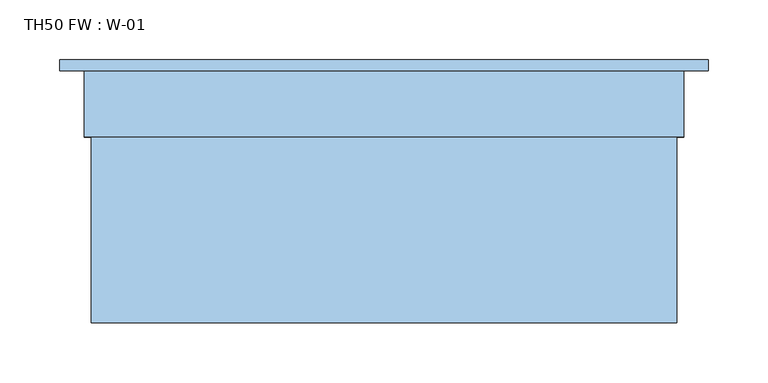
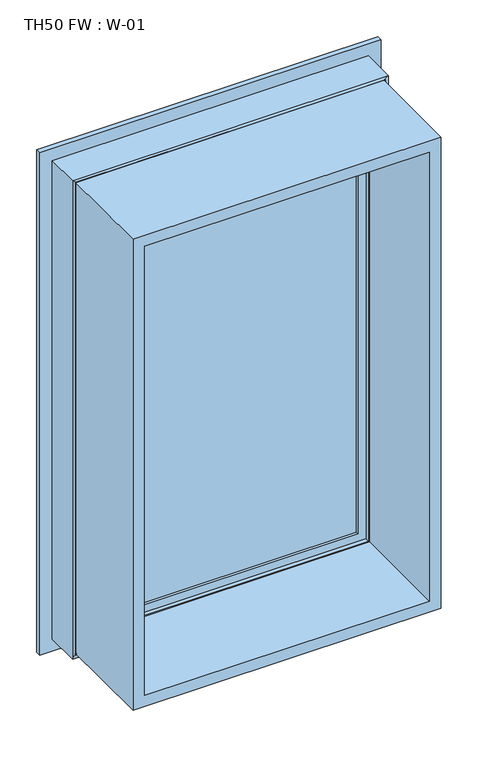
"""IFC4 building model written with IfcOpenShell, lengths in millimetres: window geometry, TH50 FW : W-01."""

from ifc_helpers import new_model, si_unit, frame, origin, place, context, project, spatial, polyline, ellipse_curve, outline, extrude, source, transform, mapped, element, save
from ifc_brep_helpers import plane_surface, cylinder_surface, revolved_surface, advanced_brep


def th50_fw_w_01_16d70e51(model_context):
    return source(origin(), model_context, "Body", "SolidModel", [
        extrude(outline(polyline([(1593.8, 243.8), (1593.8, -243.8), (806.2, -243.8), (806.2, 243.8), (1593.8, 243.8)]), holes=[polyline([(824.7, 225.3), (824.7, -225.3), (1575.3, -225.3), (1575.3, 225.3), (824.7, 225.3)])]), frame((0.0, -100.0, 0.0), z_axis=(0.0, 1.0, 0.0), x_axis=(0.0, 0.0, 1.0)), (0.0, 0.0, 1.0), 165.9999813),
        extrude(outline(polyline([(223.0, 74.4), (-223.0, 74.4), (-223.0, 100.4), (223.0, 100.4), (223.0, 74.4)])), frame((0.0, 0.0, 827.0), z_axis=(0.0, 0.0, 1.0), x_axis=(1.0, 0.0, 0.0)), (0.0, 0.0, 1.0), 746.0),
        advanced_brep(
        [(210.0, 107.7228474, 1560.0), (210.0, 107.7228474, 840.0), (207.8575034, 100.3927452, 842.1424966), (207.8575034, 100.3927452, 1557.8575034), (210.0, 118.9999377, 1560.0), (210.0, 118.9999377, 840.0), (230.0, 100.3927452, 1580.0), (230.0, 100.3927452, 820.0), (230.0, 118.9999377, 820.0), (230.0, 118.9999377, 1580.0), (-210.0, 107.7228474, 840.0), (-207.8575034, 100.3927452, 842.1424966), (-210.0, 118.9999377, 840.0), (-230.0, 100.3927452, 820.0), (-230.0, 118.9999377, 820.0), (-210.0, 107.7228474, 1560.0), (-207.8575034, 100.3927452, 1557.8575034), (-210.0, 118.9999377, 1560.0), (-230.0, 100.3927452, 1580.0), (-230.0, 118.9999377, 1580.0)],
        [
            (0, 1),
            (1, 2, ellipse_curve(frame((190.3925883, 109.4756835, 859.6074117), z_axis=(-0.7071067811865475, 0.0, -0.7071067811865475), x_axis=(0.7071067811865474, 0.0, -0.7071067811865476)), 27.839649, 19.6856046)),
            (2, 3),
            (3, 0, ellipse_curve(frame((190.3925883, 109.4756835, 1540.3925883), z_axis=(-0.7071067811865475, 0.0, 0.7071067811865475), x_axis=(-0.7071067811865474, 0.0, -0.7071067811865476)), 27.839649, 19.6856046)),
            (4, 5),
            (5, 1),
            (0, 4),
            (6, 7),
            (7, 8),
            (8, 9),
            (9, 6),
            (1, 10),
            (10, 11, ellipse_curve(frame((-190.3925883, 109.4756835, 859.6074117), z_axis=(-0.7071067811865475, 0.0, 0.7071067811865475), x_axis=(-0.7071067811865476, 0.0, -0.7071067811865474)), 27.839649, 19.6856046)),
            (11, 2),
            (5, 12),
            (12, 10),
            (7, 13),
            (13, 14),
            (14, 8),
            (10, 15),
            (15, 16, ellipse_curve(frame((-190.3925883, 109.4756835, 1540.3925883), z_axis=(0.7071067811865475, 0.0, 0.7071067811865475), x_axis=(-0.7071067811865474, 0.0, 0.7071067811865476)), 27.839649, 19.6856046)),
            (16, 11),
            (12, 17),
            (17, 15),
            (13, 18),
            (18, 19),
            (19, 14),
            (6, 18),
            (16, 3),
            (15, 0),
            (17, 4),
            (19, 9),
        ],
        [
            revolved_surface(polyline([(210.0781929, 109.4756835, 839.9218071062467), (210.0781929, 109.4756835, 1560.0781928937533)]), (190.3925883, 109.4756835, 1580.0), (0.0, 0.0, -1.0)),
            plane_surface(frame((210.0, 107.7228474, 1560.0), z_axis=(-1.0, 0.0, 0.0), x_axis=(0.0, 0.0, -1.0))),
            plane_surface(frame((230.0, 118.9999377, 1580.0), z_axis=(1.0, 0.0, 0.0), x_axis=(0.0, 0.0, -1.0))),
            revolved_surface(polyline([(-210.07819289375328, 109.4756835, 839.9218070999999), (210.07819289375328, 109.4756835, 839.9218070999999)]), (230.0, 109.4756835, 859.6074117), (-1.0, 0.0, 0.0)),
            plane_surface(frame((210.0, 107.7228474, 840.0), z_axis=(0.0, 0.0, 1.0), x_axis=(-1.0, 0.0, 0.0))),
            plane_surface(frame((230.0, 118.9999377, 820.0), z_axis=(0.0, 0.0, -1.0), x_axis=(-1.0, 0.0, 0.0))),
            revolved_surface(polyline([(-210.0781929, 109.4756835, 1560.078192893753), (-210.0781929, 109.4756835, 839.9218071062467)]), (-190.3925883, 109.4756835, 820.0), (0.0, 0.0, 1.0)),
            plane_surface(frame((-210.0, 107.7228474, 840.0), z_axis=(1.0, 0.0, 0.0), x_axis=(0.0, 0.0, 1.0))),
            plane_surface(frame((-230.0, 118.9999377, 820.0), z_axis=(-1.0, 0.0, 0.0), x_axis=(0.0, 0.0, 1.0))),
            plane_surface(frame((-230.0, 100.3927452, 1580.0), z_axis=(0.0, -1.0, 0.0), x_axis=(1.0, 0.0, 0.0))),
            revolved_surface(polyline([(210.07819289375328, 109.4756835, 1560.0781929), (-210.07819289375328, 109.4756835, 1560.0781929)]), (-230.0, 109.4756835, 1540.3925883), (1.0, 0.0, 0.0)),
            plane_surface(frame((-210.0, 107.7228474, 1560.0), z_axis=(0.0, 0.0, -1.0), x_axis=(1.0, 0.0, 0.0))),
            plane_surface(frame((-210.0, 118.9999377, 1560.0), z_axis=(0.0, 1.0, 0.0), x_axis=(1.0, 0.0, 0.0))),
            plane_surface(frame((-230.0, 118.9999377, 1580.0), z_axis=(0.0, 0.0, 1.0), x_axis=(1.0, 0.0, 0.0))),
        ],
        [
            (0, [[1, 2, 3, 4]]),
            (1, [[5, 6, -1, 7]]),
            (2, [[8, 9, 10, 11]]),
            (3, [[12, 13, 14, -2]]),
            (4, [[15, 16, -12, -6]]),
            (5, [[17, 18, 19, -9]]),
            (6, [[20, 21, 22, -13]]),
            (7, [[23, 24, -20, -16]]),
            (8, [[25, 26, 27, -18]]),
            (9, [[-8, 28, -25, -17], [-3, -14, -22, 29]]),
            (10, [[30, -4, -29, -21]]),
            (11, [[31, -7, -30, -24]]),
            (12, [[-10, -19, -27, 32], [-5, -31, -23, -15]]),
            (13, [[-28, -11, -32, -26]]),
        ],
    ),
        advanced_brep(
        [(270.000038, 110.0, 1620.000038), (270.000038, 110.0, 779.999962), (270.000038, 118.9999375, 779.999962), (270.000038, 118.9999375, 1620.000038), (-270.000038, 118.9999375, 1620.000038), (-270.000038, 118.9999375, 779.999962), (230.0000396, 118.9999375, 1580.0000396), (-230.0000396, 118.9999375, 1580.0000396), (-230.0000396, 118.9999375, 819.9999604), (230.0000396, 118.9999375, 819.9999604), (-270.000038, 110.0, 779.999962), (-270.000038, 110.0, 1620.000038), (-250.0, 110.0, 1600.0), (250.0, 110.0, 1600.0), (250.0, 110.0, 800.0), (-250.0, 110.0, 800.0), (250.0, 54.8507969, 1600.0), (250.0, 54.8507969, 800.0), (-250.0, 54.8507969, 800.0), (245.0001465, 54.8506112, 1595.0001465), (245.0001465, 54.8506112, 804.9998535), (-245.0001465, 54.8506112, 804.9998535), (245.0001465, 56.5920405, 1595.0001465), (245.0001465, 56.5920405, 804.9998535), (-245.0001465, 56.5920405, 804.9998535), (243.8001794, 56.5908144, 1593.8001794), (243.8001794, 56.5908144, 806.1998206), (-243.8001794, 56.5908144, 806.1998206), (243.8001794, 65.9999813, 1593.8001794), (243.8001794, 65.9999813, 806.1998206), (-243.8001794, 65.9999813, 806.1998206), (-243.8001794, 65.9999813, 1593.8001794), (-224.2001794, 65.9999813, 1574.2001794), (224.2001794, 65.9999813, 1574.2001794), (224.2001794, 65.9999813, 825.7998206), (-224.2001794, 65.9999813, 825.7998206), (224.2001794, 61.9999728, 1574.2001794), (224.2001794, 61.9999728, 825.7998206), (-224.2001794, 61.9999728, 825.7998206), (-224.2001794, 61.9999728, 1574.2001794), (-222.6156704, 61.9999728, 1572.6156704), (222.6156704, 61.9999728, 1572.6156704), (222.6156704, 61.9999728, 827.3843296), (-222.6156704, 61.9999728, 827.3843296), (222.8755675, 68.9999299, 1572.8755675), (222.8755675, 68.9999299, 827.1244325), (-222.8755675, 68.9999299, 827.1244325), (-222.8755675, 68.9999299, 1572.8755675), (-210.0002274, 68.9999299, 1560.0002274), (210.0002274, 68.9999299, 1560.0002274), (210.0002274, 68.9999299, 839.9997726), (-210.0002274, 68.9999299, 839.9997726), (210.0002274, 72.5999758, 1560.0002274), (210.0002274, 72.5999758, 839.9997726), (-210.0002274, 72.5999758, 839.9997726), (-230.0000396, 72.5999758, 1580.0000396), (230.0000396, 72.5999758, 1580.0000396), (230.0000396, 72.5999758, 819.9999604), (-230.0000396, 72.5999758, 819.9999604), (-210.0002274, 72.5999758, 1560.0002274), (-250.0, 54.8507969, 1600.0), (-245.0001465, 54.8506112, 1595.0001465), (-245.0001465, 56.5920405, 1595.0001465), (-243.8001794, 56.5908144, 1593.8001794)],
        [
            (0, 1),
            (1, 2),
            (2, 3),
            (3, 0),
            (4, 3),
            (2, 5),
            (5, 4),
            (6, 7),
            (7, 8),
            (8, 9),
            (9, 6),
            (1, 10),
            (10, 5),
            (0, 11),
            (11, 10),
            (12, 13),
            (13, 14),
            (14, 15),
            (15, 12),
            (16, 17),
            (17, 14),
            (13, 16),
            (17, 18),
            (18, 15),
            (19, 20),
            (20, 17, ellipse_curve(frame((247.5001465, 52.8785929, 802.4998535), z_axis=(-0.7071067811865475, 0.0, -0.7071067811865475), x_axis=(0.7071067811865474, 0.0, -0.7071067811865476)), 4.5030781, 3.184157)),
            (16, 19, ellipse_curve(frame((247.5001465, 52.8785929, 1597.5001465), z_axis=(-0.7071067811865475, 0.0, 0.7071067811865475), x_axis=(-0.7071067811865474, 0.0, -0.7071067811865476)), 4.5030781, 3.184157)),
            (20, 21),
            (21, 18, ellipse_curve(frame((-247.5001465, 52.8785929, 802.4998535), z_axis=(-0.7071067811865475, 0.0, 0.7071067811865475), x_axis=(-0.7071067811865476, 0.0, -0.7071067811865474)), 4.5030781, 3.184157)),
            (22, 23),
            (23, 20),
            (19, 22),
            (23, 24),
            (24, 21),
            (25, 26),
            (26, 23, ellipse_curve(frame((244.4001534, 56.6007652, 805.5998466), z_axis=(0.7071067811865475, 0.0, 0.7071067811865475), x_axis=(-0.7071067811865474, 0.0, 0.7071067811865476)), 0.8486081, 0.6000566)),
            (22, 25, ellipse_curve(frame((244.4001534, 56.6007652, 1594.4001534), z_axis=(0.7071067811865475, 0.0, -0.7071067811865475), x_axis=(0.7071067811865474, 0.0, 0.7071067811865476)), 0.8486081, 0.6000566)),
            (26, 27),
            (27, 24, ellipse_curve(frame((-244.4001534, 56.6007652, 805.5998466), z_axis=(0.7071067811865475, 0.0, -0.7071067811865475), x_axis=(0.7071067811865476, 0.0, 0.7071067811865474)), 0.8486081, 0.6000566)),
            (28, 29),
            (29, 26),
            (25, 28),
            (29, 30),
            (30, 27),
            (28, 31),
            (31, 30),
            (32, 33),
            (33, 34),
            (34, 35),
            (35, 32),
            (36, 37),
            (37, 34),
            (33, 36),
            (37, 38),
            (38, 35),
            (36, 39),
            (39, 38),
            (40, 41),
            (41, 42),
            (42, 43),
            (43, 40),
            (44, 45),
            (45, 42),
            (41, 44),
            (45, 46),
            (46, 43),
            (44, 47),
            (47, 46),
            (48, 49),
            (49, 50),
            (50, 51),
            (51, 48),
            (52, 53),
            (53, 50),
            (49, 52),
            (53, 54),
            (54, 51),
            (55, 56),
            (56, 57),
            (57, 58),
            (58, 55),
            (52, 59),
            (59, 54),
            (9, 57),
            (56, 6),
            (8, 58),
            (11, 4),
            (18, 60),
            (60, 12),
            (21, 61),
            (61, 60, ellipse_curve(frame((-247.5001465, 52.8785929, 1597.5001465), z_axis=(0.7071067811865475, 0.0, 0.7071067811865475), x_axis=(-0.7071067811865474, 0.0, 0.7071067811865476)), 4.5030781, 3.184157)),
            (24, 62),
            (62, 61),
            (27, 63),
            (63, 62, ellipse_curve(frame((-244.4001534, 56.6007652, 1594.4001534), z_axis=(-0.7071067811865475, 0.0, -0.7071067811865475), x_axis=(0.7071067811865474, 0.0, -0.7071067811865476)), 0.8486081, 0.6000566)),
            (31, 63),
            (39, 32),
            (47, 40),
            (59, 48),
            (7, 55),
            (60, 16),
            (61, 19),
            (62, 22),
            (63, 25),
        ],
        [
            plane_surface(frame((270.000038, 118.9999375, 1620.000038), z_axis=(1.0, 0.0, 0.0), x_axis=(0.0, 0.0, -1.0))),
            plane_surface(frame((-230.0000396, 118.9999375, 819.9999604), z_axis=(0.0, 1.0, 0.0), x_axis=(0.0, 0.0, 1.0))),
            plane_surface(frame((270.000038, 118.9999375, 779.999962), z_axis=(0.0, 0.0, -1.0), x_axis=(-1.0, 0.0, 0.0))),
            plane_surface(frame((-270.000038, 110.0, 779.999962), z_axis=(0.0, -1.0, 0.0), x_axis=(0.0, 0.0, 1.0))),
            plane_surface(frame((250.0, 110.0, 1600.0), z_axis=(1.0, 0.0, 0.0), x_axis=(0.0, 0.0, -1.0))),
            plane_surface(frame((250.0, 110.0, 800.0), z_axis=(0.0, 0.0, -1.0), x_axis=(-1.0, 0.0, 0.0))),
            revolved_surface(polyline([(250.6843035, 52.8785929, 799.3156964392773), (250.6843035, 52.8785929, 1600.6843035607226)]), (247.5001465, 52.8785929, 1600.0), (0.0, 0.0, -1.0)),
            revolved_surface(polyline([(-250.68430356072264, 52.8785929, 799.3156965), (250.68430356072264, 52.8785929, 799.3156965)]), (250.0, 52.8785929, 802.4998535), (-1.0, 0.0, 0.0)),
            plane_surface(frame((245.0001465, 54.8506112, 1595.0001465), z_axis=(-1.0, 0.0, 0.0), x_axis=(0.0, 0.0, -1.0))),
            plane_surface(frame((245.0001465, 54.8506112, 804.9998535), z_axis=(0.0, 0.0, 1.0), x_axis=(-1.0, 0.0, 0.0))),
            cylinder_surface(frame((244.4001534, 56.6007652, 1600.0), z_axis=(0.0, 0.0, 1.0), x_axis=(1.0, 0.0, 0.0)), 0.6000566),
            cylinder_surface(frame((250.0, 56.6007652, 805.5998466), z_axis=(1.0, 0.0, 0.0), x_axis=(0.0, 0.0, -1.0)), 0.6000566),
            plane_surface(frame((243.8001794, 56.5908144, 1593.8001794), z_axis=(-1.0, 0.0, 0.0), x_axis=(0.0, 0.0, -1.0))),
            plane_surface(frame((243.8001794, 56.5908144, 806.1998206), z_axis=(0.0, 0.0, 1.0), x_axis=(-1.0, 0.0, 0.0))),
            plane_surface(frame((-243.8001794, 65.9999813, 806.1998206), z_axis=(0.0, -1.0, 0.0), x_axis=(0.0, 0.0, 1.0))),
            plane_surface(frame((224.2001794, 65.9999813, 1574.2001794), z_axis=(1.0, 0.0, 0.0), x_axis=(0.0, 0.0, -1.0))),
            plane_surface(frame((224.2001794, 65.9999813, 825.7998206), z_axis=(0.0, 0.0, -1.0), x_axis=(-1.0, 0.0, 0.0))),
            plane_surface(frame((-224.2001794, 61.9999728, 825.7998206), z_axis=(0.0, -1.0, 0.0), x_axis=(0.0, 0.0, 1.0))),
            plane_surface(frame((222.6156704, 61.9999728, 1572.6156704), z_axis=(-0.9993114533203381, 0.0371028201460986, 0.0), x_axis=(0.0, 0.0, -1.0))),
            plane_surface(frame((222.6156704, 61.9999728, 827.3843296), z_axis=(0.0, 0.03710282014609248, 0.9993114533203383), x_axis=(-1.0, 0.0, 0.0))),
            plane_surface(frame((-222.8755675, 68.9999299, 827.1244325), z_axis=(0.0, -1.0, 0.0), x_axis=(0.0, 0.0, 1.0))),
            plane_surface(frame((210.0002274, 68.9999299, 1560.0002274), z_axis=(-1.0, 0.0, 0.0), x_axis=(0.0, 0.0, -1.0))),
            plane_surface(frame((210.0002274, 68.9999299, 839.9997726), z_axis=(0.0, 0.0, 1.0), x_axis=(-1.0, 0.0, 0.0))),
            plane_surface(frame((-210.0002274, 72.5999758, 839.9997726), z_axis=(0.0, 1.0, 0.0), x_axis=(0.0, 0.0, 1.0))),
            plane_surface(frame((230.0000396, 72.5999758, 1580.0000396), z_axis=(-1.0, 0.0, 0.0), x_axis=(0.0, 0.0, -1.0))),
            plane_surface(frame((230.0000396, 72.5999758, 819.9999604), z_axis=(0.0, 0.0, 1.0), x_axis=(-1.0, 0.0, 0.0))),
            plane_surface(frame((-270.000038, 118.9999375, 779.999962), z_axis=(-1.0, 0.0, 0.0), x_axis=(0.0, 0.0, 1.0))),
            plane_surface(frame((-250.0, 110.0, 800.0), z_axis=(-1.0, 0.0, 0.0), x_axis=(0.0, 0.0, 1.0))),
            revolved_surface(polyline([(-250.6843035, 52.8785929, 1600.6843035607226), (-250.6843035, 52.8785929, 799.3156964392773)]), (-247.5001465, 52.8785929, 800.0), (0.0, 0.0, 1.0)),
            plane_surface(frame((-245.0001465, 54.8506112, 804.9998535), z_axis=(1.0, 0.0, 0.0), x_axis=(0.0, 0.0, 1.0))),
            cylinder_surface(frame((-244.4001534, 56.6007652, 800.0), z_axis=(0.0, 0.0, -1.0), x_axis=(-1.0, 0.0, 0.0)), 0.6000566),
            plane_surface(frame((-243.8001794, 56.5908144, 806.1998206), z_axis=(1.0, 0.0, 0.0), x_axis=(0.0, 0.0, 1.0))),
            plane_surface(frame((-224.2001794, 65.9999813, 825.7998206), z_axis=(-1.0, 0.0, 0.0), x_axis=(0.0, 0.0, 1.0))),
            plane_surface(frame((-222.6156704, 61.9999728, 827.3843296), z_axis=(0.9993114533203385, 0.03710282014608636, 0.0), x_axis=(0.0, 0.0, 1.0))),
            plane_surface(frame((-210.0002274, 68.9999299, 839.9997726), z_axis=(1.0, 0.0, 0.0), x_axis=(0.0, 0.0, 1.0))),
            plane_surface(frame((-230.0000396, 72.5999758, 819.9999604), z_axis=(1.0, 0.0, 0.0), x_axis=(0.0, 0.0, 1.0))),
            plane_surface(frame((-270.000038, 118.9999375, 1620.000038), z_axis=(0.0, 0.0, 1.0), x_axis=(1.0, 0.0, 0.0))),
            plane_surface(frame((-250.0, 110.0, 1600.0), z_axis=(0.0, 0.0, 1.0), x_axis=(1.0, 0.0, 0.0))),
            revolved_surface(polyline([(250.68430356072264, 52.8785929, 1600.6843035), (-250.68430356072264, 52.8785929, 1600.6843035)]), (-250.0, 52.8785929, 1597.5001465), (1.0, 0.0, 0.0)),
            plane_surface(frame((-245.0001465, 54.8506112, 1595.0001465), z_axis=(0.0, 0.0, -1.0), x_axis=(1.0, 0.0, 0.0))),
            cylinder_surface(frame((-250.0, 56.6007652, 1594.4001534), z_axis=(-1.0, 0.0, 0.0), x_axis=(0.0, 0.0, 1.0)), 0.6000566),
            plane_surface(frame((-243.8001794, 56.5908144, 1593.8001794), z_axis=(0.0, 0.0, -1.0), x_axis=(1.0, 0.0, 0.0))),
            plane_surface(frame((-224.2001794, 65.9999813, 1574.2001794), z_axis=(0.0, 0.0, 1.0), x_axis=(1.0, 0.0, 0.0))),
            plane_surface(frame((-222.6156704, 61.9999728, 1572.6156704), z_axis=(0.0, 0.03710282014609248, -0.9993114533203383), x_axis=(1.0, 0.0, 0.0))),
            plane_surface(frame((-210.0002274, 68.9999299, 1560.0002274), z_axis=(0.0, 0.0, -1.0), x_axis=(1.0, 0.0, 0.0))),
            plane_surface(frame((-230.0000396, 72.5999758, 1580.0000396), z_axis=(0.0, 0.0, -1.0), x_axis=(1.0, 0.0, 0.0))),
        ],
        [
            (0, [[1, 2, 3, 4]]),
            (1, [[5, -3, 6, 7], [8, 9, 10, 11]]),
            (2, [[12, 13, -6, -2]]),
            (3, [[14, 15, -12, -1], [16, 17, 18, 19]]),
            (4, [[20, 21, -17, 22]]),
            (5, [[23, 24, -18, -21]]),
            (6, [[25, 26, -20, 27]]),
            (7, [[28, 29, -23, -26]]),
            (8, [[30, 31, -25, 32]]),
            (9, [[33, 34, -28, -31]]),
            (10, [[35, 36, -30, 37]]),
            (11, [[38, 39, -33, -36]]),
            (12, [[40, 41, -35, 42]]),
            (13, [[43, 44, -38, -41]]),
            (14, [[45, 46, -43, -40], [47, 48, 49, 50]]),
            (15, [[51, 52, -48, 53]]),
            (16, [[54, 55, -49, -52]]),
            (17, [[56, 57, -54, -51], [58, 59, 60, 61]]),
            (18, [[62, 63, -59, 64]]),
            (19, [[65, 66, -60, -63]]),
            (20, [[67, 68, -65, -62], [69, 70, 71, 72]]),
            (21, [[73, 74, -70, 75]]),
            (22, [[76, 77, -71, -74]]),
            (23, [[78, 79, 80, 81], [82, 83, -76, -73]]),
            (24, [[-11, 84, -79, 85]]),
            (25, [[-10, 86, -80, -84]]),
            (26, [[-15, 87, -7, -13]]),
            (27, [[88, 89, -19, -24]]),
            (28, [[90, 91, -88, -29]]),
            (29, [[92, 93, -90, -34]]),
            (30, [[94, 95, -92, -39]]),
            (31, [[-46, 96, -94, -44]]),
            (32, [[-57, 97, -50, -55]]),
            (33, [[-68, 98, -61, -66]]),
            (34, [[-83, 99, -72, -77]]),
            (35, [[-9, 100, -81, -86]]),
            (36, [[-14, -4, -5, -87]]),
            (37, [[101, -22, -16, -89]]),
            (38, [[102, -27, -101, -91]]),
            (39, [[103, -32, -102, -93]]),
            (40, [[104, -37, -103, -95]]),
            (41, [[-45, -42, -104, -96]]),
            (42, [[-56, -53, -47, -97]]),
            (43, [[-67, -64, -58, -98]]),
            (44, [[-82, -75, -69, -99]]),
            (45, [[-8, -85, -78, -100]]),
        ],
    ),
    ])


if __name__ == "__main__":
    model = new_model("IFC4")
    model_context = context("Model", 3, world=origin())
    ifc_project = project(units=[si_unit("LENGTHUNIT", "METRE", prefix="MILLI")], contexts=[model_context])
    site = spatial("IfcSite", under=ifc_project)
    building = spatial("IfcBuilding", under=site)
    placement = place(None, origin())
    th50_fw_w_01_shape = th50_fw_w_01_16d70e51(model_context)
    element("IfcWindow", 1, ObjectType="TH50 FW : W-01", at=placement, inside=building, context=model_context, shape_type="MappedRepresentation", body=[
        mapped(th50_fw_w_01_shape, transform((0.0, 0.0, 0.0), x_axis=(1.0, 0.0, 0.0), y_axis=(0.0, 1.0, 0.0), z_axis=(0.0, 0.0, 1.0))),
    ])
    save(model, "model.ifc")
